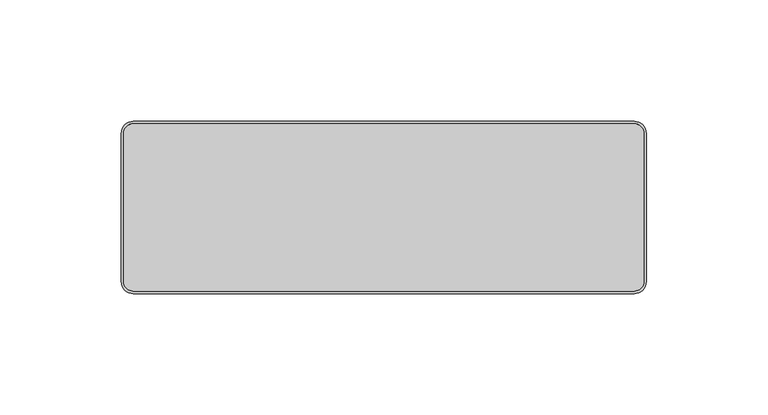
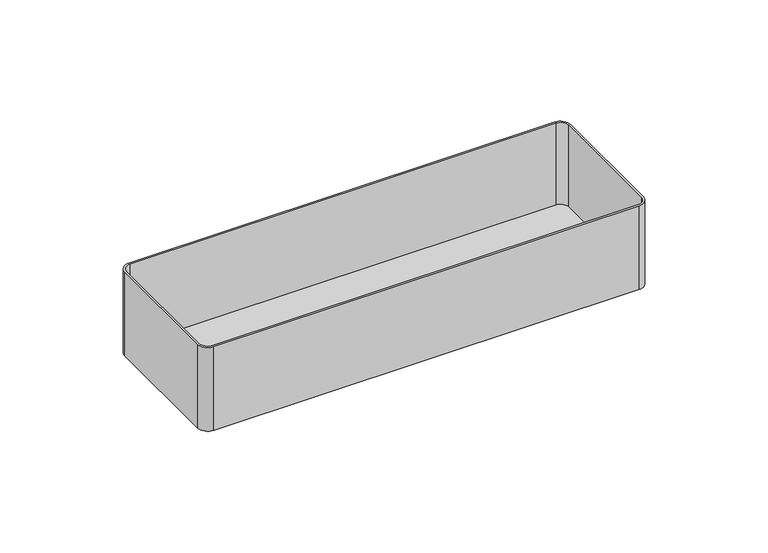
"""IFC4 building model written with IfcOpenShell, lengths in millimetres: proxy geometry."""

from ifc_helpers import new_model, si_unit, point, frame, frame_2d, origin, place, context, project, spatial, polyline, circle_curve, trimmed, segment, composite_curve, outline, extrude, source, transform, mapped, element, save


def electrical_fixtures_b3c24c70(model_context):
    return source(origin(), model_context, "Body", "SweptSolid", [
        extrude(outline(composite_curve([segment(polyline([(-103.25, 34.5), (103.25, 34.5)]), True, "CONTINUOUS"), segment(trimmed(circle_curve(frame_2d((103.25, 30.5)), 4.0), [point((103.25, 34.5))], [point((107.25, 30.5))], False, "CARTESIAN"), True, "CONTINUOUS"), segment(polyline([(107.25, 30.5), (107.25, -30.5)]), True, "CONTINUOUS"), segment(trimmed(circle_curve(frame_2d((103.25, -30.5)), 4.0), [point((107.25, -30.5))], [point((103.25, -34.5))], False, "CARTESIAN"), True, "CONTINUOUS"), segment(polyline([(103.25, -34.5), (-103.25, -34.5)]), True, "CONTINUOUS"), segment(trimmed(circle_curve(frame_2d((-103.25, -30.5)), 4.0), [point((-103.25, -34.5))], [point((-107.25, -30.5))], False, "CARTESIAN"), True, "CONTINUOUS"), segment(polyline([(-107.25, -30.5), (-107.25, 30.5)]), True, "CONTINUOUS"), segment(trimmed(circle_curve(frame_2d((-103.25, 30.5)), 4.0), [point((-107.25, 30.5))], [point((-103.25, 34.5))], False, "CARTESIAN"), True, "CONTINUOUS")], self_intersect=False)), frame((0.0, 0.0, -43.0), z_axis=(0.0, 0.0, 1.0), x_axis=(1.0, 0.0, 0.0)), (0.0, 0.0, 1.0), 1.0),
        extrude(outline(composite_curve([segment(polyline([(-108.25, -30.5), (-108.25, 30.5)]), True, "CONTINUOUS"), segment(trimmed(circle_curve(frame_2d((-103.25, 30.5)), 5.0), [point((-108.25, 30.5))], [point((-103.25, 35.5))], False, "CARTESIAN"), True, "CONTINUOUS"), segment(polyline([(-103.25, 35.5), (103.25, 35.5)]), True, "CONTINUOUS"), segment(trimmed(circle_curve(frame_2d((103.25, 30.5)), 5.0), [point((103.25, 35.5))], [point((108.25, 30.5))], False, "CARTESIAN"), True, "CONTINUOUS"), segment(polyline([(108.25, 30.5), (108.25, -30.5)]), True, "CONTINUOUS"), segment(trimmed(circle_curve(frame_2d((103.25, -30.5)), 5.0), [point((108.25, -30.5))], [point((103.25, -35.5))], False, "CARTESIAN"), True, "CONTINUOUS"), segment(polyline([(103.25, -35.5), (-103.25, -35.5)]), True, "CONTINUOUS"), segment(trimmed(circle_curve(frame_2d((-103.25, -30.5)), 5.0), [point((-103.25, -35.5))], [point((-108.25, -30.5))], False, "CARTESIAN"), True, "CONTINUOUS")], self_intersect=False), holes=[composite_curve([segment(trimmed(circle_curve(frame_2d((-103.25, -30.5)), 4.0), [point((-107.25, -30.5))], [point((-103.25, -34.5))], True, "CARTESIAN"), True, "CONTINUOUS"), segment(polyline([(-103.25, -34.5), (103.25, -34.5)]), True, "CONTINUOUS"), segment(trimmed(circle_curve(frame_2d((103.25, -30.5)), 4.0), [point((103.25, -34.5))], [point((107.25, -30.5))], True, "CARTESIAN"), True, "CONTINUOUS"), segment(polyline([(107.25, -30.5), (107.25, 30.5)]), True, "CONTINUOUS"), segment(trimmed(circle_curve(frame_2d((103.25, 30.5)), 4.0), [point((107.25, 30.5))], [point((103.25, 34.5))], True, "CARTESIAN"), True, "CONTINUOUS"), segment(polyline([(103.25, 34.5), (-103.25, 34.5)]), True, "CONTINUOUS"), segment(trimmed(circle_curve(frame_2d((-103.25, 30.5)), 4.0), [point((-103.25, 34.5))], [point((-107.25, 30.5))], True, "CARTESIAN"), True, "CONTINUOUS"), segment(polyline([(-107.25, 30.5), (-107.25, -30.5)]), True, "CONTINUOUS")], self_intersect=False)]), frame((0.0, 0.0, -43.0), z_axis=(0.0, 0.0, 1.0), x_axis=(1.0, 0.0, 0.0)), (0.0, 0.0, 1.0), 43.0),
    ])


if __name__ == "__main__":
    model = new_model("IFC4")
    model_context = context("Model", 3, world=origin())
    ifc_project = project(units=[si_unit("LENGTHUNIT", "METRE", prefix="MILLI")], contexts=[model_context])
    site = spatial("IfcSite", under=ifc_project)
    building = spatial("IfcBuilding", under=site)
    placement = place(None, origin())
    electrical_fixtures_shape = electrical_fixtures_b3c24c70(model_context)
    element("IfcBuildingElementProxy", 1, Name="Electrical Fixtures", at=placement, inside=building, context=model_context, shape_type="MappedRepresentation", body=[
        mapped(electrical_fixtures_shape, transform((0.0, 0.0, 0.0), x_axis=(1.0, 0.0, 0.0), y_axis=(0.0, 1.0, 0.0), z_axis=(0.0, 0.0, 1.0))),
    ])
    save(model, "model.ifc")
